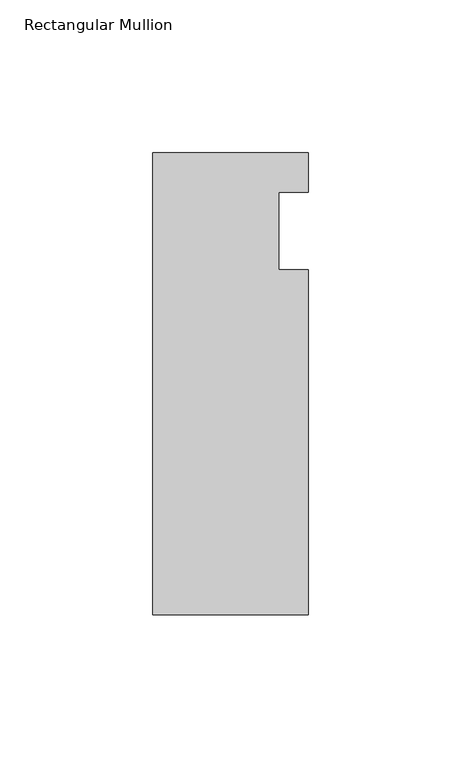
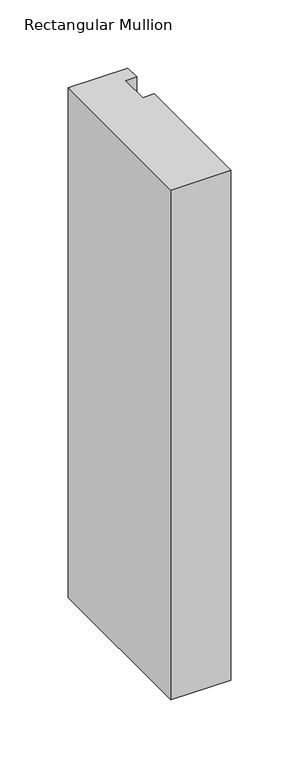
"""IFC4 building model written with IfcOpenShell, lengths in millimetres: member geometry, Rectangular Mullion."""

from ifc_helpers import new_model, si_unit, frame, origin, place, context, project, spatial, polyline, outline, extrude, source, transform, mapped, element, save


def rectangular_mullion_24e443af(model_context):
    return source(origin(), model_context, "Body", "SweptSolid", [
        extrude(outline(polyline([(-25.4, 25.5984375), (25.4, 25.5984375), (25.4, 12.7), (15.875, 12.7), (15.875, -12.7), (25.4, -12.7), (25.4, -125.6109375), (-25.4, -125.6109375), (-25.4, 25.5984375)])), frame((0.0, 0.0, -457.2), z_axis=(0.0, 0.0, 1.0), x_axis=(1.0, 0.0, 0.0)), (0.0, 0.0, 1.0), 457.2),
    ])


if __name__ == "__main__":
    model = new_model("IFC4")
    model_context = context("Model", 3, world=origin())
    ifc_project = project(units=[si_unit("LENGTHUNIT", "METRE", prefix="MILLI")], contexts=[model_context])
    site = spatial("IfcSite", under=ifc_project)
    building = spatial("IfcBuilding", under=site)
    placement = place(None, origin())
    rectangular_mullion_shape = rectangular_mullion_24e443af(model_context)
    element("IfcMember", 1, ObjectType="Rectangular Mullion", at=placement, inside=building, context=model_context, shape_type="MappedRepresentation", body=[
        mapped(rectangular_mullion_shape, transform((0.0, 0.0, 0.0), x_axis=(1.0, 0.0, 0.0), y_axis=(0.0, 1.0, 0.0), z_axis=(0.0, 0.0, 1.0))),
    ])
    save(model, "model.ifc")
